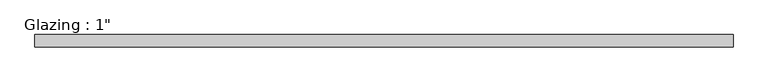
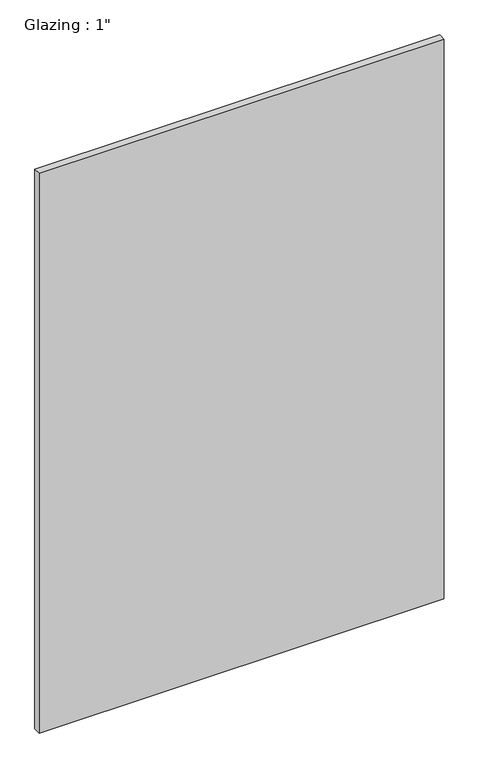
"""IFC4 building model written with IfcOpenShell, lengths in millimetres: plate geometry."""

from ifc_helpers import new_model, si_unit, origin, origin_with_axes, place, context, project, spatial, polyline, outline, extrude, source, transform, mapped, element, save


def plate_f6f812ec(model_context):
    return source(origin(), model_context, "Body", "SweptSolid", [
        extrude(outline(polyline([(717.0516736, -12.7), (-717.0516736, -12.7), (-717.0516736, 12.7), (717.0516736, 12.7), (717.0516736, -12.7)])), origin_with_axes(), (0.0, 0.0, 1.0), 2094.5428768),
    ])


if __name__ == "__main__":
    model = new_model("IFC4")
    model_context = context("Model", 3, world=origin())
    ifc_project = project(units=[si_unit("LENGTHUNIT", "METRE", prefix="MILLI")], contexts=[model_context])
    site = spatial("IfcSite", under=ifc_project)
    building = spatial("IfcBuilding", under=site)
    placement = place(None, origin())
    plate_shape = plate_f6f812ec(model_context)
    element("IfcPlate", 1, ObjectType="Glazing : 1\"", at=placement, inside=building, context=model_context, shape_type="MappedRepresentation", body=[
        mapped(plate_shape, transform((0.0, 0.0, 0.0), x_axis=(1.0, 0.0, 0.0), y_axis=(0.0, 1.0, 0.0), z_axis=(0.0, 0.0, 1.0))),
    ])
    save(model, "model.ifc")
